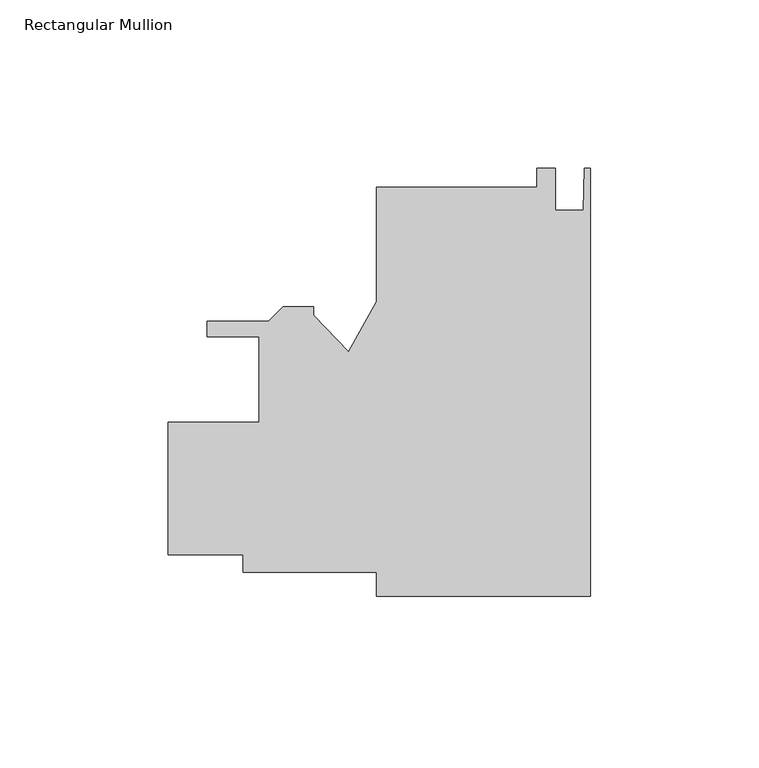
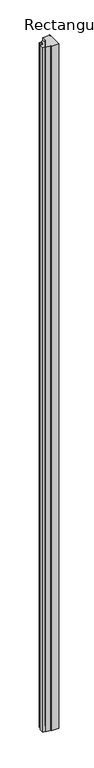
"""IFC4 building model written with IfcOpenShell, lengths in millimetres: member geometry, Rectangular Mullion."""

from ifc_helpers import new_model, si_unit, frame, origin, place, context, project, spatial, polyline, outline, extrude, source, transform, mapped, element, save


def rectangular_mullion_9ef6cdf2(model_context):
    return source(origin(), model_context, "Body", "SweptSolid", [
        extrude(outline(polyline([(0.0, 62.703891), (0.0, -64.296109), (-63.5, -64.296109), (-63.5, -57.165059), (-103.1874887, -57.165059), (-103.1874887, -52.0850797), (-125.4124886, -52.0850797), (-125.4124886, -12.7150798), (-98.4249887, -12.7150798), (-98.4249887, 12.6849202), (-113.9261383, 12.6849202), (-113.9261383, 17.3839203), (-95.5436305, 17.3839203), (-91.2764305, 21.6511203), (-82.1761383, 21.6511203), (-82.1761383, 19.1111204), (-71.8458535, 8.2643214), (-63.5, 23.1750939), (-63.5, 57.141291), (-15.875, 57.141291), (-15.875, 62.7279595), (-10.3124, 62.7279595), (-10.3124, 50.359491), (-2.032, 50.359491), (-1.778, 62.703891), (0.0, 62.703891)])), frame((0.0, 0.0, -6032.5), z_axis=(0.0, 0.0, 1.0), x_axis=(1.0, 0.0, 0.0)), (0.0, 0.0, 1.0), 6032.5),
    ])


if __name__ == "__main__":
    model = new_model("IFC4")
    model_context = context("Model", 3, world=origin())
    ifc_project = project(units=[si_unit("LENGTHUNIT", "METRE", prefix="MILLI")], contexts=[model_context])
    site = spatial("IfcSite", under=ifc_project)
    building = spatial("IfcBuilding", under=site)
    placement = place(None, origin())
    rectangular_mullion_shape = rectangular_mullion_9ef6cdf2(model_context)
    element("IfcMember", 1, ObjectType="Rectangular Mullion", at=placement, inside=building, context=model_context, shape_type="MappedRepresentation", body=[
        mapped(rectangular_mullion_shape, transform((0.0, 0.0, 0.0), x_axis=(1.0, 0.0, 0.0), y_axis=(0.0, 1.0, 0.0), z_axis=(0.0, 0.0, 1.0))),
    ])
    save(model, "model.ifc")
